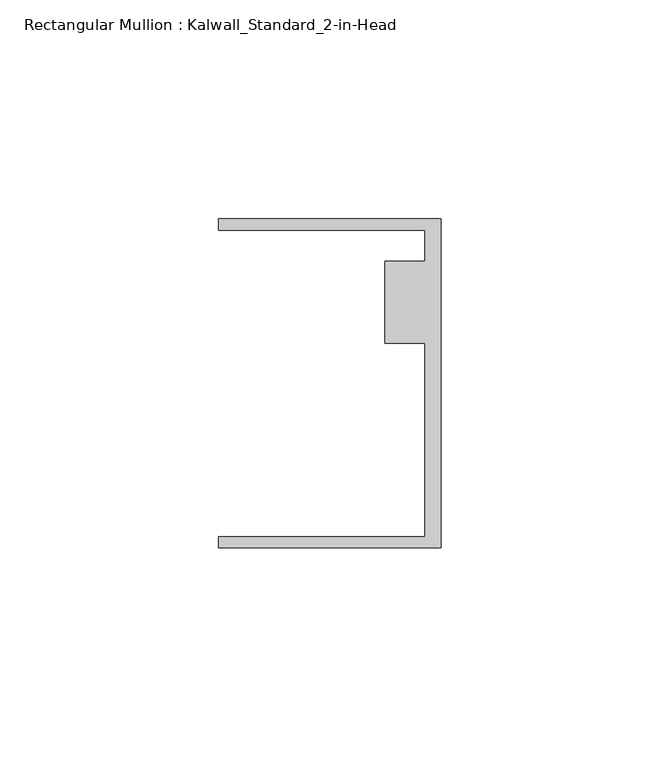
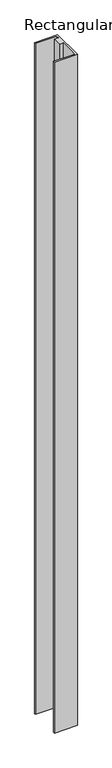
"""IFC4 building model written with IfcOpenShell, lengths in millimetres: member geometry, Rectangular Mullion : Kalwall_Standard_2-in-Head."""

from ifc_helpers import new_model, si_unit, frame, origin, place, context, project, spatial, polyline, outline, extrude, source, transform, mapped, element, save


def rectangular_mullion_kalwall_standard_2_in_head_8de7fdc2(model_context):
    return source(origin(), model_context, "Body", "SweptSolid", [
        extrude(outline(polyline([(0.0, 37.5776386), (0.0, -37.5023614), (-50.8, -37.5023614), (-50.8, -34.9623614), (-3.7084, -34.9623614), (-3.7084, 9.1879886), (-12.8272539, 9.1879886), (-12.8272539, 27.8888568), (-3.7084, 27.8888568), (-3.7084, 35.0376386), (-50.8, 35.0376386), (-50.8, 37.5776386), (0.0, 37.5776386)])), frame((0.0, 0.0, -1567.0818003), z_axis=(0.0, 0.0, 1.0), x_axis=(1.0, 0.0, 0.0)), (0.0, 0.0, 1.0), 1567.0818003),
    ])


if __name__ == "__main__":
    model = new_model("IFC4")
    model_context = context("Model", 3, world=origin())
    ifc_project = project(units=[si_unit("LENGTHUNIT", "METRE", prefix="MILLI")], contexts=[model_context])
    site = spatial("IfcSite", under=ifc_project)
    building = spatial("IfcBuilding", under=site)
    placement = place(None, origin())
    rectangular_mullion_kalwall_standard_2_in_head_shape = rectangular_mullion_kalwall_standard_2_in_head_8de7fdc2(model_context)
    element("IfcMember", 1, ObjectType="Rectangular Mullion : Kalwall_Standard_2-in-Head", at=placement, inside=building, context=model_context, shape_type="MappedRepresentation", body=[
        mapped(rectangular_mullion_kalwall_standard_2_in_head_shape, transform((0.0, 0.0, 0.0), x_axis=(1.0, 0.0, 0.0), y_axis=(0.0, 1.0, 0.0), z_axis=(0.0, 0.0, 1.0))),
    ])
    save(model, "model.ifc")
